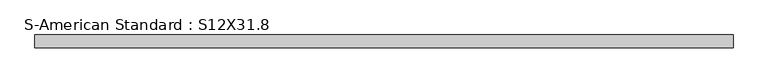
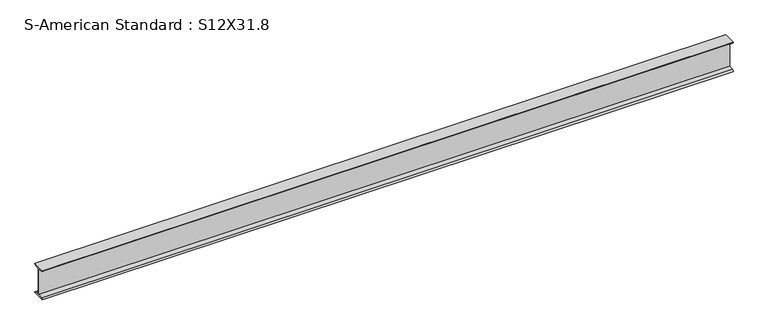
"""IFC4 building model written with IfcOpenShell, lengths in millimetres: beam geometry, S-American Standard : S12X31.8."""

from ifc_helpers import new_model, si_unit, point, frame, frame_2d, origin, place, context, project, spatial, polyline, circle_curve, trimmed, segment, composite_curve, outline, extrude, source, transform, mapped, element, save


def s_american_standard_s12x31_8_20ef8fc4(model_context):
    return source(origin(), model_context, "Body", "SweptSolid", [
        extrude(outline(composite_curve([segment(polyline([(-63.5, 152.4), (63.5, 152.4)]), True, "CONTINUOUS"), segment(trimmed(circle_curve(frame_2d((49.7, 152.4)), 13.8), [point((63.5, 152.4))], [point((49.7, 138.6))], False, "CARTESIAN"), True, "CONTINUOUS"), segment(polyline([(49.7, 138.6), (4.45, 131.4331041), (4.45, -131.4331041), (49.7, -138.6)]), True, "CONTINUOUS"), segment(trimmed(circle_curve(frame_2d((49.7, -152.4)), 13.8), [point((49.7, -138.6))], [point((63.5, -152.4))], False, "CARTESIAN"), True, "CONTINUOUS"), segment(polyline([(63.5, -152.4), (-63.5, -152.4)]), True, "CONTINUOUS"), segment(trimmed(circle_curve(frame_2d((-49.7, -152.4)), 13.8), [point((-63.5, -152.4))], [point((-49.7, -138.6))], False, "CARTESIAN"), True, "CONTINUOUS"), segment(polyline([(-49.7, -138.6), (-4.45, -131.4331041), (-4.45, 131.4331041), (-49.7, 138.6)]), True, "CONTINUOUS"), segment(trimmed(circle_curve(frame_2d((-49.7, 152.4)), 13.8), [point((-49.7, 138.6))], [point((-63.5, 152.4))], False, "CARTESIAN"), True, "CONTINUOUS")], self_intersect=False)), frame((-2791.0404523, 0.0, 0.0), z_axis=(1.0, 0.0, 0.0), x_axis=(0.0, 1.0, 0.0)), (0.0, 0.0, 1.0), 6815.2130212),
    ])


if __name__ == "__main__":
    model = new_model("IFC4")
    model_context = context("Model", 3, world=origin())
    ifc_project = project(units=[si_unit("LENGTHUNIT", "METRE", prefix="MILLI")], contexts=[model_context])
    site = spatial("IfcSite", under=ifc_project)
    building = spatial("IfcBuilding", under=site)
    placement = place(None, origin())
    s_american_standard_s12x31_8_shape = s_american_standard_s12x31_8_20ef8fc4(model_context)
    element("IfcBeam", 1, ObjectType="S-American Standard : S12X31.8", at=placement, inside=building, context=model_context, shape_type="MappedRepresentation", body=[
        mapped(s_american_standard_s12x31_8_shape, transform((0.0, 0.0, 0.0), x_axis=(1.0, 0.0, 0.0), y_axis=(0.0, 1.0, 0.0), z_axis=(0.0, 0.0, 1.0))),
    ])
    save(model, "model.ifc")
